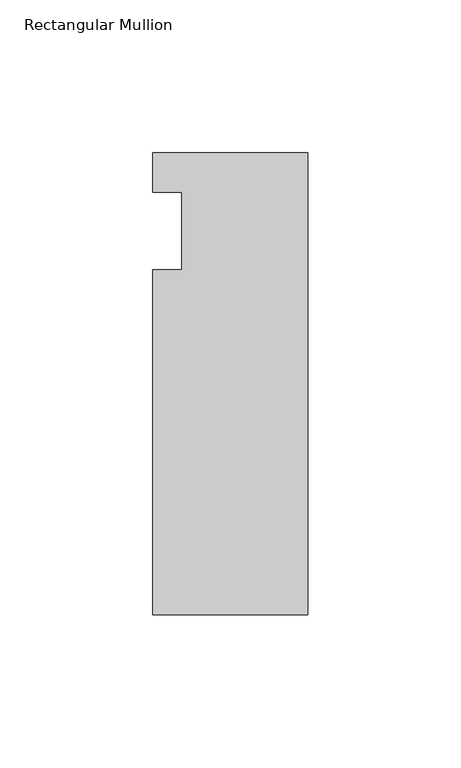
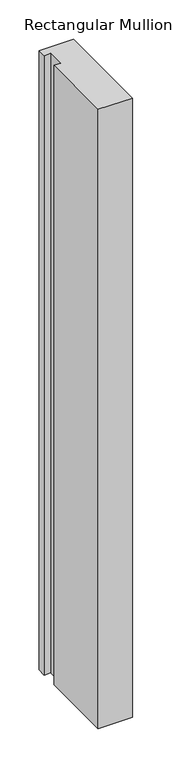
"""IFC4 building model written with IfcOpenShell, lengths in millimetres: member geometry, Rectangular Mullion."""

from ifc_helpers import new_model, si_unit, frame, origin, place, context, project, spatial, polyline, outline, extrude, source, transform, mapped, element, save


def rectangular_mullion_a87635d0(model_context):
    return source(origin(), model_context, "Body", "SweptSolid", [
        extrude(outline(polyline([(-25.4, 25.58415), (25.4, 25.58415), (25.4, -125.59665), (-25.4, -125.59665), (-25.4, -12.7), (-15.875, -12.7), (-15.875, 12.7), (-25.4, 12.7), (-25.4, 25.58415)])), frame((0.0, 0.0, -965.2), z_axis=(0.0, 0.0, 1.0), x_axis=(1.0, 0.0, 0.0)), (0.0, 0.0, 1.0), 965.2),
    ])


if __name__ == "__main__":
    model = new_model("IFC4")
    model_context = context("Model", 3, world=origin())
    ifc_project = project(units=[si_unit("LENGTHUNIT", "METRE", prefix="MILLI")], contexts=[model_context])
    site = spatial("IfcSite", under=ifc_project)
    building = spatial("IfcBuilding", under=site)
    placement = place(None, origin())
    rectangular_mullion_shape = rectangular_mullion_a87635d0(model_context)
    element("IfcMember", 1, ObjectType="Rectangular Mullion", at=placement, inside=building, context=model_context, shape_type="MappedRepresentation", body=[
        mapped(rectangular_mullion_shape, transform((0.0, 0.0, 0.0), x_axis=(1.0, 0.0, 0.0), y_axis=(0.0, 1.0, 0.0), z_axis=(0.0, 0.0, 1.0))),
    ])
    save(model, "model.ifc")
